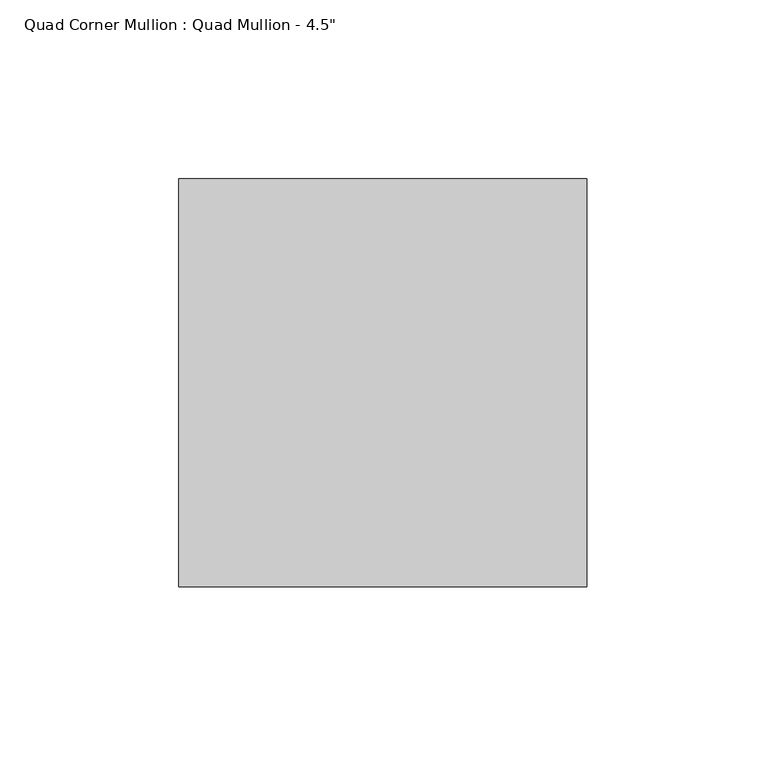
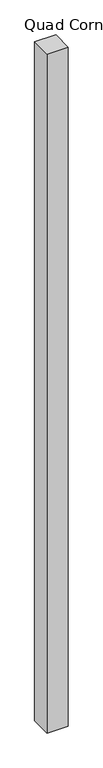
"""IFC4 building model written with IfcOpenShell, lengths in millimetres: member geometry."""

from ifc_helpers import new_model, si_unit, frame, origin, place, context, project, spatial, polyline, outline, extrude, source, transform, mapped, element, save


def member_ddba1294(model_context):
    return source(origin(), model_context, "Body", "SweptSolid", [
        extrude(outline(polyline([(57.15, 57.15), (57.15, -57.15), (-57.15, -57.15), (-57.15, 57.15), (57.15, 57.15)])), frame((0.0, 0.0, -3860.8), z_axis=(0.0, 0.0, 1.0), x_axis=(1.0, 0.0, 0.0)), (0.0, 0.0, 1.0), 3860.8),
    ])


if __name__ == "__main__":
    model = new_model("IFC4")
    model_context = context("Model", 3, world=origin())
    ifc_project = project(units=[si_unit("LENGTHUNIT", "METRE", prefix="MILLI")], contexts=[model_context])
    site = spatial("IfcSite", under=ifc_project)
    building = spatial("IfcBuilding", under=site)
    placement = place(None, origin())
    member_shape = member_ddba1294(model_context)
    element("IfcMember", 1, ObjectType="Quad Corner Mullion : Quad Mullion - 4.5\"", at=placement, inside=building, context=model_context, shape_type="MappedRepresentation", body=[
        mapped(member_shape, transform((0.0, 0.0, 0.0), x_axis=(1.0, 0.0, 0.0), y_axis=(0.0, 1.0, 0.0), z_axis=(0.0, 0.0, 1.0))),
    ])
    save(model, "model.ifc")
